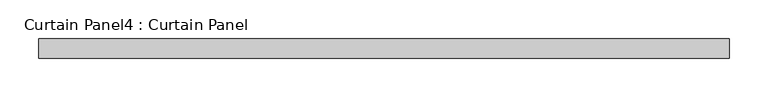
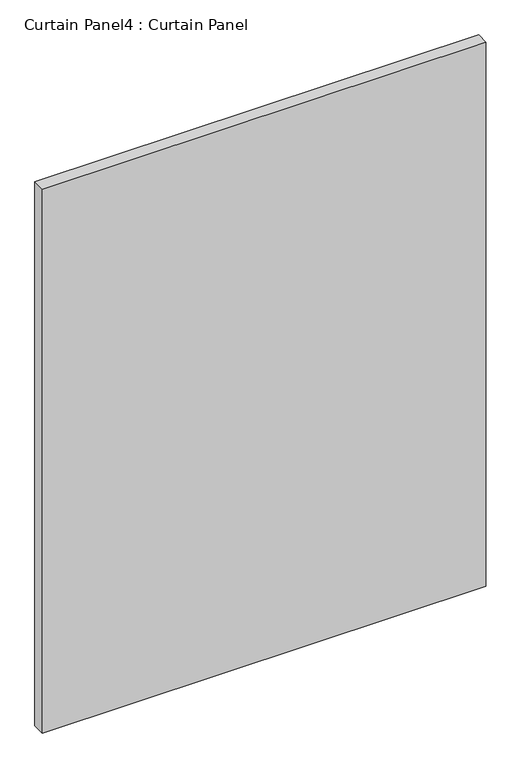
"""IFC4 building model written with IfcOpenShell, lengths in millimetres: plate geometry, Curtain Panel4 : Curtain Panel."""

from ifc_helpers import new_model, si_unit, frame, origin, place, context, project, spatial, polyline, outline, extrude, source, transform, mapped, element, save


def curtain_panel4_curtain_panel_306cc617(model_context):
    return source(origin(), model_context, "Body", "SweptSolid", [
        extrude(outline(polyline([(-25251.7346264, 9468.7682302), (-26148.2276264, 9468.7682302), (-26148.2276264, 9494.1682302), (-25251.7346264, 9494.1682302), (-25251.7346264, 9468.7682302)])), frame((0.0, 0.0, 1247.4552347), z_axis=(0.0, 0.0, 1.0), x_axis=(1.0, 0.0, 0.0)), (0.0, 0.0, 1.0), 1162.3588569),
    ])


if __name__ == "__main__":
    model = new_model("IFC4")
    model_context = context("Model", 3, world=origin())
    ifc_project = project(units=[si_unit("LENGTHUNIT", "METRE", prefix="MILLI")], contexts=[model_context])
    site = spatial("IfcSite", under=ifc_project)
    building = spatial("IfcBuilding", under=site)
    placement = place(None, origin())
    curtain_panel4_curtain_panel_shape = curtain_panel4_curtain_panel_306cc617(model_context)
    element("IfcPlate", 1, ObjectType="Curtain Panel4 : Curtain Panel", at=placement, inside=building, context=model_context, shape_type="MappedRepresentation", body=[
        mapped(curtain_panel4_curtain_panel_shape, transform((0.0, 0.0, 0.0), x_axis=(1.0, 0.0, 0.0), y_axis=(0.0, 1.0, 0.0), z_axis=(0.0, 0.0, 1.0))),
    ])
    save(model, "model.ifc")
